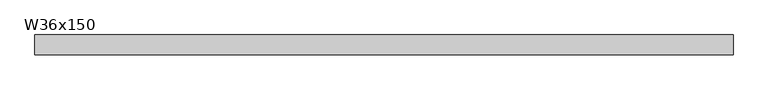
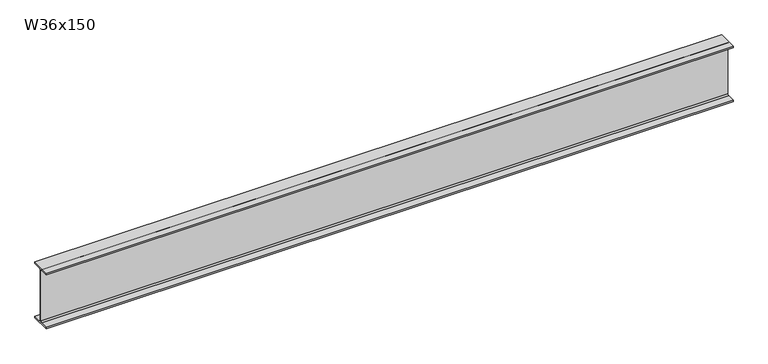
"""IFC4 building model written with IfcOpenShell, lengths in millimetres: beam geometry, W36x150."""

from ifc_helpers import new_model, si_unit, point, frame, frame_2d, origin, place, context, project, spatial, polyline, circle_curve, trimmed, segment, composite_curve, outline, extrude, source, transform, mapped, element, save


def w36x150_dc0e95bd(model_context):
    return source(origin(), model_context, "Body", "SweptSolid", [
        extrude(outline(composite_curve([segment(polyline([(152.4, -432.054), (152.4, -455.93), (-152.4, -455.93), (-152.4, -432.054), (-31.6865, -432.054)]), True, "CONTINUOUS"), segment(trimmed(circle_curve(frame_2d((-31.6865, -408.305)), 23.749), [point((-31.6865, -432.054))], [point((-7.9375, -408.305))], True, "CARTESIAN"), True, "CONTINUOUS"), segment(polyline([(-7.9375, -408.305), (-7.9375, 408.305)]), True, "CONTINUOUS"), segment(trimmed(circle_curve(frame_2d((-31.6865, 408.305)), 23.749), [point((-7.9375, 408.305))], [point((-31.6865, 432.054))], True, "CARTESIAN"), True, "CONTINUOUS"), segment(polyline([(-31.6865, 432.054), (-152.4, 432.054), (-152.4, 455.93), (152.4, 455.93), (152.4, 432.054), (31.6865, 432.054)]), True, "CONTINUOUS"), segment(trimmed(circle_curve(frame_2d((31.6865, 408.305)), 23.749), [point((31.6865, 432.054))], [point((7.9375, 408.305))], True, "CARTESIAN"), True, "CONTINUOUS"), segment(polyline([(7.9375, 408.305), (7.9375, -408.305)]), True, "CONTINUOUS"), segment(trimmed(circle_curve(frame_2d((31.6865, -408.305)), 23.749), [point((7.9375, -408.305))], [point((31.6865, -432.054))], True, "CARTESIAN"), True, "CONTINUOUS"), segment(polyline([(31.6865, -432.054), (152.4, -432.054)]), True, "CONTINUOUS")], self_intersect=False)), frame((-5320.03, 0.0, 0.0), z_axis=(1.0, 0.0, 0.0), x_axis=(0.0, 1.0, 0.0)), (0.0, 0.0, 1.0), 10640.06),
    ])


if __name__ == "__main__":
    model = new_model("IFC4")
    model_context = context("Model", 3, world=origin())
    ifc_project = project(units=[si_unit("LENGTHUNIT", "METRE", prefix="MILLI")], contexts=[model_context])
    site = spatial("IfcSite", under=ifc_project)
    building = spatial("IfcBuilding", under=site)
    placement = place(None, origin())
    w36x150_shape = w36x150_dc0e95bd(model_context)
    element("IfcBeam", 1, ObjectType="W36x150", at=placement, inside=building, context=model_context, shape_type="MappedRepresentation", body=[
        mapped(w36x150_shape, transform((0.0, 0.0, 0.0), x_axis=(1.0, 0.0, 0.0), y_axis=(0.0, 1.0, 0.0), z_axis=(0.0, 0.0, 1.0))),
    ])
    save(model, "model.ifc")
